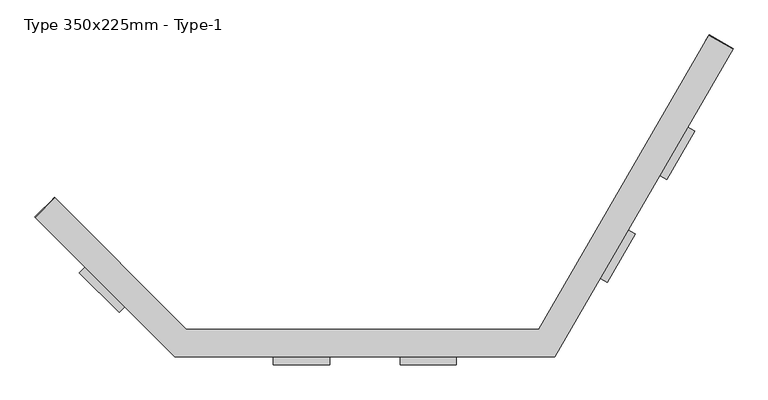
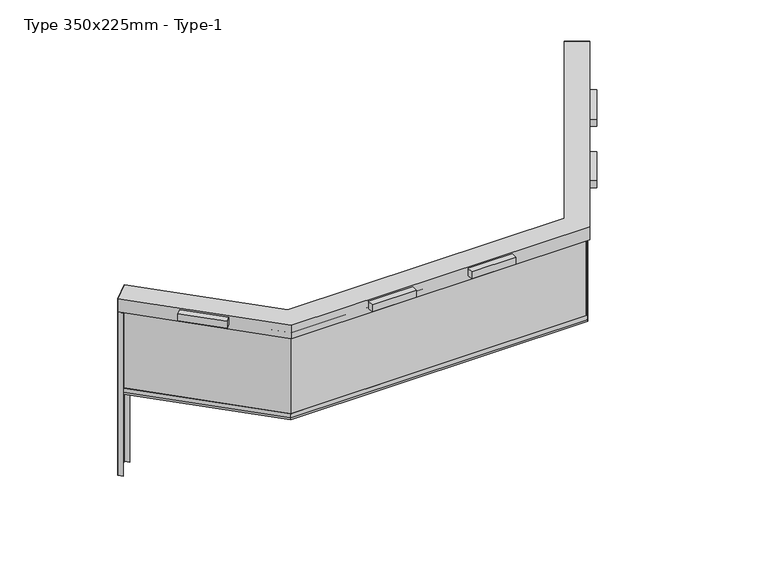
"""IFC4 building model written with IfcOpenShell, lengths in millimetres: alarm geometry, Type 350x225mm - Type-1."""

from ifc_helpers import new_model, si_unit, frame, origin, origin_with_axes, place, context, project, spatial, polyline, outline, extrude, faceted_brep, source, transform, mapped, element, save


def type_350x225mm_type_1_97b526ab(model_context):
    return source(origin(), model_context, "Body", "SolidModel", [
        extrude(outline(polyline([(4077.5, 2905.5152297), (4164.1025404, 2855.5152297), (3809.1025404, 2240.637193), (3722.5, 2290.637193), (4077.5, 2905.5152297)])), frame((0.0, 0.0, 80.0), z_axis=(0.0, 0.0, 1.0), x_axis=(1.0, 0.0, 0.0)), (0.0, 0.0, 1.0), 120.0),
        extrude(outline(polyline([(3327.5, 1606.477124), (3414.1025404, 1556.477124), (3059.1025404, 941.5990873), (2972.5, 991.5990873), (3327.5, 1606.477124)])), frame((0.0, 0.0, 80.0), z_axis=(0.0, 0.0, 1.0), x_axis=(1.0, 0.0, 0.0)), (0.0, 0.0, 1.0), 120.0),
        extrude(outline(polyline([(-1155.0, 0.0), (-445.0, 0.0), (-445.0, -100.0), (-1155.0, -100.0), (-1155.0, 0.0)])), frame((0.0, 0.0, 80.0), z_axis=(0.0, 0.0, 1.0), x_axis=(1.0, 0.0, 0.0)), (0.0, 0.0, 1.0), 120.0),
        extrude(outline(polyline([(445.0, 0.0), (1155.0, 0.0), (1155.0, -100.0), (445.0, -100.0), (445.0, 0.0)])), frame((0.0, 0.0, 80.0), z_axis=(0.0, 0.0, 1.0), x_axis=(1.0, 0.0, 0.0)), (0.0, 0.0, 1.0), 120.0),
        extrude(outline(polyline([(-3534.9063838, 1134.9063838), (-3032.8605692, 632.8605692), (-3103.5712473, 562.149891), (-3605.6170619, 1064.1957057), (-3534.9063838, 1134.9063838)])), frame((0.0, 0.0, 80.0), z_axis=(0.0, 0.0, 1.0), x_axis=(1.0, 0.0, 0.0)), (0.0, 0.0, 1.0), 120.0),
        extrude(outline(polyline([(4346.8911087, 4072.114317), (4650.0, 3897.114317), (4648.5, 3894.5162408), (4345.3911087, 4069.5162408), (4346.8911087, 4072.114317)])), origin_with_axes(), (0.0, 0.0, 1.0), 225.0),
        extrude(outline(polyline([(4346.8911087, 4072.114317), (4650.0, 3897.114317), (4610.0, 3827.8322847), (4607.4019238, 3829.3322847), (4645.9019238, 3896.0162408), (4347.9891849, 4068.0162408), (4309.4891849, 4001.3322847), (4306.8911087, 4002.8322847), (4346.8911087, 4072.114317)])), frame((0.0, 0.0, -2775.0), z_axis=(0.0, 0.0, 1.0), x_axis=(1.0, 0.0, 0.0)), (0.0, 0.0, 1.0), 2775.0),
        extrude(outline(polyline([(-3920.2795796, 2015.2543264), (-3918.1582592, 2013.133006), (-4165.6456326, 1765.6456326), (-4167.766953, 1767.766953), (-3920.2795796, 2015.2543264)])), origin_with_axes(), (0.0, 0.0, 1.0), 225.0),
        extrude(outline(polyline([(-3920.2795796, 2015.2543264), (-3863.7110371, 1958.6857839), (-3865.8323574, 1956.5644635), (-3920.2795796, 2011.0116857), (-4163.5243123, 1767.766953), (-4109.0770901, 1713.3197308), (-4111.1984105, 1711.1984105), (-4167.766953, 1767.766953), (-3920.2795796, 2015.2543264)])), frame((0.0, 0.0, -2775.0), z_axis=(0.0, 0.0, 1.0), x_axis=(1.0, 0.0, 0.0)), (0.0, 0.0, 1.0), 2775.0),
        extrude(outline(polyline([(4549.3782217, 3862.8322847), (4566.6987298, 3852.8322847), (2371.1324865, 50.0), (-2379.2893219, 50.0), (-4075.8430714, 1746.5537495), (-4061.7009358, 1760.6958852), (-2371.0050506, 70.0), (2359.5854812, 70.0), (4549.3782217, 3862.8322847)])), frame((0.0, 0.0, -1390.0), z_axis=(0.0, 0.0, 1.0), x_axis=(1.0, 0.0, 0.0)), (0.0, 0.0, 1.0), 1390.0),
        faceted_brep([(4588.3493649, 3840.3322847, -1400.0), (4328.5417438, 3990.3322847, -1400.0), (4332.8718708, 3987.8322847, -1371.6435909), (4332.8718708, 3987.8322847, -1300.0), (4335.469947, 3986.3322847, -1300.0), (4335.469947, 3986.3322847, -1397.0), (4581.4211617, 3844.3322847, -1397.0), (4581.4211617, 3844.3322847, -1300.0), (4584.0192379, 3842.8322847, -1300.0), (4584.0192379, 3842.8322847, -1371.6435909), (2385.5662433, 25.0, -1400.0), (-2389.6446609, 25.0, -1400.0), (-4093.5207409, 1728.87608, -1400.0), (-3881.3887066, 1941.0081144, -1400.0), (-2265.3805922, 325.0, -1400.0), (2212.3611625, 325.0, -1400.0), (2215.2479139, 320.0, -1371.6435909), (2215.2479139, 320.0, -1300.0), (-2267.45166, 320.0, -1300.0), (-3884.9242405, 1937.4725805, -1300.0), (-3887.0455608, 1935.3512601, -1300.0), (-2268.6943007, 317.0, -1300.0), (2216.9799647, 317.0, -1300.0), (2216.9799647, 317.0, -1397.0), (-2268.6943007, 317.0, -1397.0), (-3887.0455608, 1935.3512601, -1397.0), (-4087.8638867, 1734.5329343, -1397.0), (-2386.3309524, 33.0, -1397.0), (2380.9474411, 33.0, -1397.0), (2380.9474411, 33.0, -1300.0), (-2386.3309524, 33.0, -1300.0), (-4087.8638867, 1734.5329343, -1300.0), (-4089.985207, 1732.4116139, -1300.0), (-2387.5735931, 30.0, -1300.0), (2382.6794919, 30.0, -1300.0), (2382.6794919, 30.0, -1371.6435909), (-2267.45166, 320.0, -1371.6435909), (-2387.5735931, 30.0, -1371.6435909), (-4089.985207, 1732.4116139, -1371.6435909), (-3884.9242405, 1937.4725805, -1371.6435909)], [[[0, 1, 2, 3, 4, 5, 6, 7, 8, 9]], [[1, 0, 10, 11, 12, 13, 14, 15]], [[2, 1, 15, 16]], [[3, 2, 16, 17]], [[4, 3, 17, 18, 19, 20, 21, 22]], [[5, 4, 22, 23]], [[6, 5, 23, 24, 25, 26, 27, 28]], [[7, 6, 28, 29]], [[8, 7, 29, 30, 31, 32, 33, 34]], [[9, 8, 34, 35]], [[0, 9, 35, 10]], [[16, 15, 14, 36]], [[17, 16, 36, 18]], [[23, 22, 21, 24]], [[29, 28, 27, 30]], [[35, 34, 33, 37]], [[10, 35, 37, 11]], [[12, 38, 32, 31, 26, 25, 20, 19, 39, 13]], [[36, 14, 13, 39]], [[18, 36, 39, 19]], [[24, 21, 20, 25]], [[30, 27, 26, 31]], [[37, 33, 32, 38]], [[11, 37, 38, 12]]]),
        faceted_brep([(-4167.766953, 1767.766953, 225.0), (-3920.2795796, 2015.2543264, 225.0), (-3920.2795796, 2015.2543264, 0.0), (-3935.8359287, 1999.6979772, 0.0), (-3935.8359287, 1999.6979772, 22.0), (-3933.7146084, 2001.8192975, 22.0), (-3933.7146084, 2001.8192975, 3.0), (-3922.4008999, 2013.133006, 3.0), (-3922.4008999, 2013.133006, 97.0), (-3941.492783, 1994.0411229, 97.0), (-3941.492783, 1994.0411229, 100.0), (-3922.4008999, 2013.133006, 100.0), (-3922.4008999, 2013.133006, 222.0), (-4165.6456326, 1769.8882733, 222.0), (-4165.6456326, 1769.8882733, 100.0), (-4146.5537495, 1788.9801564, 100.0), (-4146.5537495, 1788.9801564, 97.0), (-4165.6456326, 1769.8882733, 97.0), (-4165.6456326, 1769.8882733, 3.0), (-4154.3319241, 1781.2019818, 3.0), (-4154.3319241, 1781.2019818, 22.0), (-4152.2106038, 1783.3233022, 22.0), (-4152.2106038, 1783.3233022, 0.0), (-4167.766953, 1767.766953, 0.0), (-2400.0, 0.0, 225.0), (2400.0, 0.0, 225.0), (4650.0, 3897.114317, 225.0), (4346.8911087, 4072.114317, 225.0), (2197.9274058, 350.0, 225.0), (-2255.0252532, 350.0, 225.0), (-2255.0252532, 350.0, 0.0), (2197.9274058, 350.0, 0.0), (4346.8911087, 4072.114317, 0.0), (4365.9436676, 4061.114317, 0.0), (2210.6291117, 328.0, 0.0), (-2264.1379515, 328.0, 0.0), (-2264.1379515, 328.0, 22.0), (2210.6291117, 328.0, 22.0), (4365.9436676, 4061.114317, 22.0), (4363.3455913, 4062.614317, 22.0), (2208.8970609, 331.0, 22.0), (-2262.8953109, 331.0, 22.0), (-2262.8953109, 331.0, 3.0), (2208.8970609, 331.0, 3.0), (4363.3455913, 4062.614317, 3.0), (4349.4891849, 4070.614317, 3.0), (2199.6594566, 347.0, 3.0), (-2256.2678939, 347.0, 3.0), (-2256.2678939, 347.0, 97.0), (2199.6594566, 347.0, 97.0), (4349.4891849, 4070.614317, 97.0), (4372.8718708, 4057.114317, 97.0), (2215.2479139, 320.0, 97.0), (-2267.45166, 320.0, 97.0), (-2267.45166, 320.0, 100.0), (2215.2479139, 320.0, 100.0), (4372.8718708, 4057.114317, 100.0), (4349.4891849, 4070.614317, 100.0), (2199.6594566, 347.0, 100.0), (-2256.2678939, 347.0, 100.0), (-2256.2678939, 347.0, 222.0), (2199.6594566, 347.0, 222.0), (4349.4891849, 4070.614317, 222.0), (4647.4019238, 3898.614317, 222.0), (2398.2679492, 3.0, 222.0), (-2398.7573593, 3.0, 222.0), (-2398.7573593, 3.0, 100.0), (2398.2679492, 3.0, 100.0), (4647.4019238, 3898.614317, 100.0), (4624.0192379, 3912.114317, 100.0), (2382.6794919, 30.0, 100.0), (-2387.5735931, 30.0, 100.0), (-2387.5735931, 30.0, 97.0), (2382.6794919, 30.0, 97.0), (4624.0192379, 3912.114317, 97.0), (4647.4019238, 3898.614317, 97.0), (2398.2679492, 3.0, 97.0), (-2398.7573593, 3.0, 97.0), (-2398.7573593, 3.0, 3.0), (2398.2679492, 3.0, 3.0), (4647.4019238, 3898.614317, 3.0), (4633.5455173, 3906.614317, 3.0), (2389.0303449, 19.0, 3.0), (-2392.1299423, 19.0, 3.0), (-2392.1299423, 19.0, 22.0), (2389.0303449, 19.0, 22.0), (4633.5455173, 3906.614317, 22.0), (4630.9474411, 3908.114317, 22.0), (2387.2982941, 22.0, 22.0), (-2390.8873016, 22.0, 22.0), (-2390.8873016, 22.0, 0.0), (2387.2982941, 22.0, 0.0), (4630.9474411, 3908.114317, 0.0), (4650.0, 3897.114317, 0.0), (2400.0, 0.0, 0.0), (-2400.0, 0.0, 0.0)], [[[0, 1, 2, 3, 4, 5, 6, 7, 8, 9, 10, 11, 12, 13, 14, 15, 16, 17, 18, 19, 20, 21, 22, 23]], [[1, 0, 24, 25, 26, 27, 28, 29]], [[2, 1, 29, 30]], [[3, 2, 30, 31, 32, 33, 34, 35]], [[4, 3, 35, 36]], [[5, 4, 36, 37, 38, 39, 40, 41]], [[6, 5, 41, 42]], [[7, 6, 42, 43, 44, 45, 46, 47]], [[8, 7, 47, 48]], [[9, 8, 48, 49, 50, 51, 52, 53]], [[10, 9, 53, 54]], [[11, 10, 54, 55, 56, 57, 58, 59]], [[12, 11, 59, 60]], [[13, 12, 60, 61, 62, 63, 64, 65]], [[14, 13, 65, 66]], [[15, 14, 66, 67, 68, 69, 70, 71]], [[16, 15, 71, 72]], [[17, 16, 72, 73, 74, 75, 76, 77]], [[18, 17, 77, 78]], [[19, 18, 78, 79, 80, 81, 82, 83]], [[20, 19, 83, 84]], [[21, 20, 84, 85, 86, 87, 88, 89]], [[22, 21, 89, 90]], [[23, 22, 90, 91, 92, 93, 94, 95]], [[0, 23, 95, 24]], [[30, 29, 28, 31]], [[36, 35, 34, 37]], [[42, 41, 40, 43]], [[48, 47, 46, 49]], [[54, 53, 52, 55]], [[60, 59, 58, 61]], [[66, 65, 64, 67]], [[72, 71, 70, 73]], [[78, 77, 76, 79]], [[84, 83, 82, 85]], [[90, 89, 88, 91]], [[24, 95, 94, 25]], [[26, 93, 92, 87, 86, 81, 80, 75, 74, 69, 68, 63, 62, 57, 56, 51, 50, 45, 44, 39, 38, 33, 32, 27]], [[31, 28, 27, 32]], [[37, 34, 33, 38]], [[43, 40, 39, 44]], [[49, 46, 45, 50]], [[55, 52, 51, 56]], [[61, 58, 57, 62]], [[67, 64, 63, 68]], [[73, 70, 69, 74]], [[79, 76, 75, 80]], [[85, 82, 81, 86]], [[91, 88, 87, 92]], [[25, 94, 93, 26]]]),
    ])


if __name__ == "__main__":
    model = new_model("IFC4")
    model_context = context("Model", 3, world=origin())
    ifc_project = project(units=[si_unit("LENGTHUNIT", "METRE", prefix="MILLI")], contexts=[model_context])
    site = spatial("IfcSite", under=ifc_project)
    building = spatial("IfcBuilding", under=site)
    placement = place(None, origin())
    type_350x225mm_type_1_shape = type_350x225mm_type_1_97b526ab(model_context)
    element("IfcAlarm", 1, ObjectType="Type 350x225mm - Type-1", at=placement, inside=building, context=model_context, shape_type="MappedRepresentation", body=[
        mapped(type_350x225mm_type_1_shape, transform((0.0, 0.0, 0.0), x_axis=(1.0, 0.0, 0.0), y_axis=(0.0, 1.0, 0.0), z_axis=(0.0, 0.0, 1.0))),
    ])
    save(model, "model.ifc")
